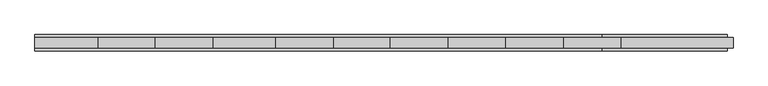
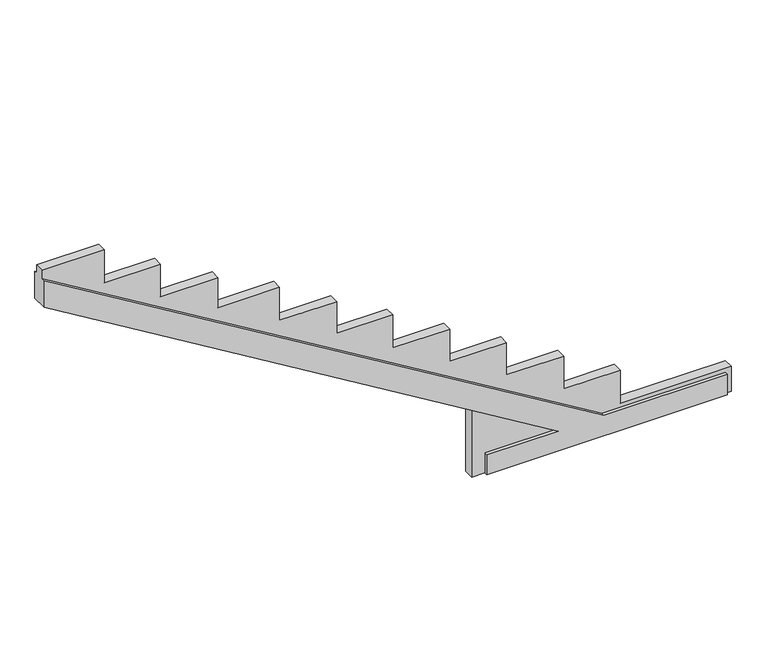
"""IFC4 building model written with IfcOpenShell, lengths in millimetres: beam geometry."""

from ifc_helpers import new_model, si_unit, origin, place, context, project, spatial, faceted_brep, source, transform, mapped, element, save


def beam_519af6ee(model_context):
    return source(origin(), model_context, "Body", "Brep", [
        faceted_brep([(-116844.5683327, 96180.511967, -279.8606223), (-116844.5683327, 96180.511967, -33.927162), (-116006.3004713, 96180.511967, -33.927162), (-122034.7043969, 96180.511967, 3610.6532395), (-122034.7043969, 96180.511967, 3943.0884577), (-115472.9689158, 96180.511967, -23.927162), (-115352.1518329, 96180.5119669, -23.927162), (-115296.0414739, 96180.5119669, -23.927162), (-114023.5293184, 96180.5119669, -23.927162), (-114023.5293184, 96180.5119669, -279.8606223), (-114042.0655902, 96180.5119669, -279.8606223), (-116844.5683327, 95990.6618453, -279.8606223), (-114023.5293184, 95990.6618453, -279.8606223), (-114023.5293184, 95990.6618453, -23.927162), (-115472.9689158, 95990.6618453, -23.927162), (-122034.7043969, 95990.6618454, 3943.0884577), (-122034.7043969, 95990.6618454, 3610.6532395), (-116006.3004713, 95990.6618453, -33.927162), (-116844.5683327, 95990.6618453, -33.927162), (-114023.5293184, 96145.6901808, -279.8606223), (-113954.1481355, 96145.6901808, -279.8606223), (-113953.8823373, 96145.6901808, -279.8606223), (-113953.8823373, 96028.5555406, -279.8606223), (-114023.5293184, 96028.5555406, -279.8606223), (-116844.5683327, 96028.5555406, -279.8606223), (-117000.4145735, 96028.5555406, -279.8606223), (-117000.4145735, 96145.6901808, -279.8606223), (-116844.5683327, 96145.6901808, -279.8606223), (-114023.5293184, 96028.5555406, -23.927162), (-114023.5293184, 96145.6901808, -23.927162), (-115472.9689158, 96028.5555406, -23.927162), (-115472.9689158, 96145.6901808, -23.927162), (-115352.0728164, 96145.6901808, -23.927162), (-115296.0231321, 96145.6901808, -23.927162), (-122034.7043969, 96145.6901809, 3943.0884577), (-122034.7043969, 96028.5555407, 3943.0884577), (-122034.7043969, 96028.5555407, 4045.0581816), (-122034.7043969, 96145.6901809, 4045.0581816), (-116006.3004713, 96145.6901808, -33.927162), (-117000.4145735, 96145.6901808, 567.0824615), (-117000.4145735, 96028.5555406, 567.0824615), (-116006.3004713, 96028.5555406, -33.927162), (-116844.5683327, 96145.6901808, -33.927162), (-116844.5683327, 96028.5555406, -33.927162), (-121306.6476169, 96145.6901809, 4045.0581816), (-121306.6476169, 96145.6901809, 3640.1194045), (-120649.8769499, 96145.6901809, 3640.1194045), (-120649.8769499, 96145.6901809, 3236.3708797), (-119974.7822209, 96145.6901809, 3236.3708797), (-119974.7822209, 96145.6901809, 2863.712727), (-119253.5282062, 96145.6901808, 2863.712727), (-119253.5282062, 96145.6901808, 2451.4364302), (-118583.4464062, 96145.6901808, 2451.4364302), (-118583.4464062, 96145.6901808, 2054.9086235), (-117926.6894138, 96145.6901808, 2054.9086235), (-117926.6894138, 96145.6901808, 1645.0560092), (-117256.6076138, 96145.6901808, 1645.0560092), (-117256.6076138, 96145.6901808, 1243.5088631), (-116591.5451531, 96145.6901808, 1243.5088631), (-116591.5451531, 96145.6901808, 842.7381762), (-115921.4633531, 96145.6901808, 842.7381762), (-115921.4633531, 96145.6901808, 435.3952316), (-115256.3622137, 96145.6901808, 435.3952316), (-115256.3622137, 96145.6901808, 27.6428092), (-113953.8823373, 96145.6901808, 27.6428092), (-113953.8823373, 96028.5555406, 27.6428092), (-115256.3622137, 96028.5555406, 27.6428092), (-115256.3622137, 96028.5555406, 435.3952316), (-115921.4633531, 96028.5555406, 435.3952316), (-115921.4633531, 96028.5555406, 842.7381762), (-116591.5451531, 96028.5555406, 842.7381762), (-116591.5451531, 96028.5555406, 1243.5088631), (-117256.6076138, 96028.5555406, 1243.5088631), (-117256.6076138, 96028.5555406, 1645.0560092), (-117926.6894138, 96028.5555406, 1645.0560092), (-117926.6894138, 96028.5555406, 2054.9086235), (-118583.4464062, 96028.5555407, 2054.9086235), (-118583.4464062, 96028.5555407, 2451.4364302), (-119253.5282062, 96028.5555407, 2451.4364302), (-119253.5282062, 96028.5555407, 2863.712727), (-119974.7822209, 96028.5555407, 2863.712727), (-119974.7822209, 96028.5555407, 3236.3708797), (-120649.8769499, 96028.5555407, 3236.3708797), (-120649.8769499, 96028.5555407, 3640.1194045), (-121306.6476169, 96028.5555407, 3640.1194045), (-121306.6476169, 96028.5555407, 4045.0581816)], [[[0, 1, 2, 3, 4, 5, 6, 7, 8, 9, 10]], [[11, 12, 13, 14, 15, 16, 17, 18]], [[0, 10, 9, 19, 20, 21, 22, 23, 12, 11, 24, 25, 26, 27]], [[13, 12, 23, 28]], [[9, 8, 29, 19]], [[14, 13, 28, 30]], [[8, 7, 6, 5, 31, 32, 33, 29]], [[5, 4, 34, 31]], [[15, 14, 30, 35]], [[4, 3, 16, 15, 35, 36, 37, 34]], [[3, 2, 38, 39, 40, 41, 17, 16]], [[2, 1, 42, 38]], [[18, 17, 41, 43]], [[1, 0, 27, 42]], [[11, 18, 43, 24]], [[27, 26, 39, 38, 42]], [[37, 44, 45, 46, 47, 48, 49, 50, 51, 52, 53, 54, 55, 56, 57, 58, 59, 60, 61, 62, 63, 64, 21, 20, 19, 29, 33, 32, 31, 34]], [[25, 24, 43, 41, 40]], [[22, 65, 66, 67, 68, 69, 70, 71, 72, 73, 74, 75, 76, 77, 78, 79, 80, 81, 82, 83, 84, 85, 36, 35, 30, 28, 23]], [[26, 25, 40, 39]], [[49, 48, 81, 80]], [[48, 47, 82, 81]], [[47, 46, 83, 82]], [[46, 45, 84, 83]], [[45, 44, 85, 84]], [[44, 37, 36, 85]], [[21, 64, 65, 22]], [[64, 63, 66, 65]], [[63, 62, 67, 66]], [[62, 61, 68, 67]], [[61, 60, 69, 68]], [[60, 59, 70, 69]], [[59, 58, 71, 70]], [[58, 57, 72, 71]], [[57, 56, 73, 72]], [[56, 55, 74, 73]], [[55, 54, 75, 74]], [[54, 53, 76, 75]], [[53, 52, 77, 76]], [[52, 51, 78, 77]], [[51, 50, 79, 78]], [[50, 49, 80, 79]]]),
    ])


if __name__ == "__main__":
    model = new_model("IFC4")
    model_context = context("Model", 3, world=origin())
    ifc_project = project(units=[si_unit("LENGTHUNIT", "METRE", prefix="MILLI")], contexts=[model_context])
    site = spatial("IfcSite", under=ifc_project)
    building = spatial("IfcBuilding", under=site)
    placement = place(None, origin())
    beam_shape = beam_519af6ee(model_context)
    element("IfcBeam", 1, at=placement, inside=building, context=model_context, shape_type="MappedRepresentation", body=[
        mapped(beam_shape, transform((0.0, 0.0, 0.0), x_axis=(1.0, 0.0, 0.0), y_axis=(0.0, 1.0, 0.0), z_axis=(0.0, 0.0, 1.0))),
    ])
    save(model, "model.ifc")
